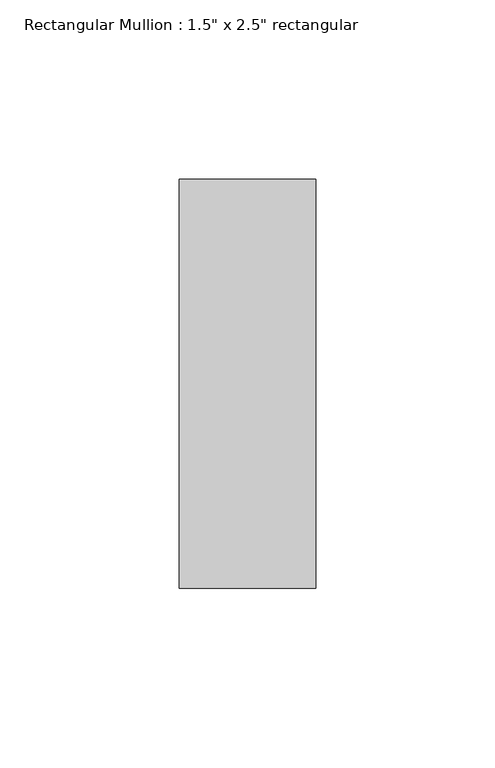
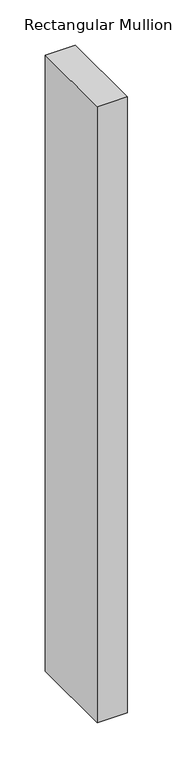
"""IFC4 building model written with IfcOpenShell, lengths in millimetres: member geometry."""

from ifc_helpers import new_model, si_unit, frame, origin, place, context, project, spatial, polyline, outline, extrude, source, transform, mapped, element, save


def member_23a77cb9(model_context):
    return source(origin(), model_context, "Body", "SweptSolid", [
        extrude(outline(polyline([(0.0, 57.15), (0.0, -57.15), (-38.1, -57.15), (-38.1, 57.15), (0.0, 57.15)])), frame((0.0, 0.0, -827.6166667), z_axis=(0.0, 0.0, 1.0), x_axis=(1.0, 0.0, 0.0)), (0.0, 0.0, 1.0), 827.6166667),
    ])


if __name__ == "__main__":
    model = new_model("IFC4")
    model_context = context("Model", 3, world=origin())
    ifc_project = project(units=[si_unit("LENGTHUNIT", "METRE", prefix="MILLI")], contexts=[model_context])
    site = spatial("IfcSite", under=ifc_project)
    building = spatial("IfcBuilding", under=site)
    placement = place(None, origin())
    member_shape = member_23a77cb9(model_context)
    element("IfcMember", 1, ObjectType="Rectangular Mullion : 1.5\" x 2.5\" rectangular", at=placement, inside=building, context=model_context, shape_type="MappedRepresentation", body=[
        mapped(member_shape, transform((0.0, 0.0, 0.0), x_axis=(1.0, 0.0, 0.0), y_axis=(0.0, 1.0, 0.0), z_axis=(0.0, 0.0, 1.0))),
    ])
    save(model, "model.ifc")
